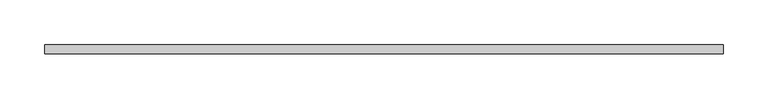
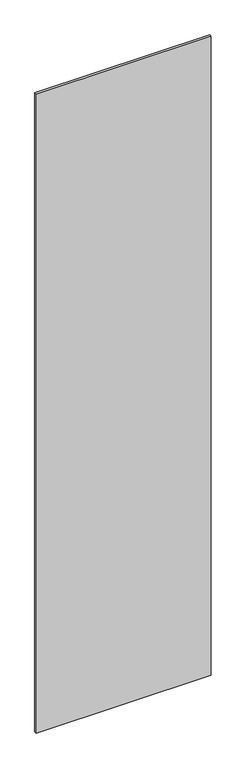
"""IFC4 building model written with IfcOpenShell, lengths in millimetres: plate geometry."""

from ifc_helpers import new_model, si_unit, origin, origin_with_axes, place, context, project, spatial, polyline, outline, extrude, source, transform, mapped, element, save


def plate_3004b3b1(model_context):
    return source(origin(), model_context, "Body", "SweptSolid", [
        extrude(outline(polyline([(380.0, -5.0), (-380.0, -5.0), (-380.0, 5.0), (380.0, 5.0), (380.0, -5.0)])), origin_with_axes(), (0.0, 0.0, 1.0), 2930.0),
    ])


if __name__ == "__main__":
    model = new_model("IFC4")
    model_context = context("Model", 3, world=origin())
    ifc_project = project(units=[si_unit("LENGTHUNIT", "METRE", prefix="MILLI")], contexts=[model_context])
    site = spatial("IfcSite", under=ifc_project)
    building = spatial("IfcBuilding", under=site)
    placement = place(None, origin())
    plate_shape = plate_3004b3b1(model_context)
    element("IfcPlate", 1, at=placement, inside=building, context=model_context, shape_type="MappedRepresentation", body=[
        mapped(plate_shape, transform((0.0, 0.0, 0.0), x_axis=(1.0, 0.0, 0.0), y_axis=(0.0, 1.0, 0.0), z_axis=(0.0, 0.0, 1.0))),
    ])
    save(model, "model.ifc")
